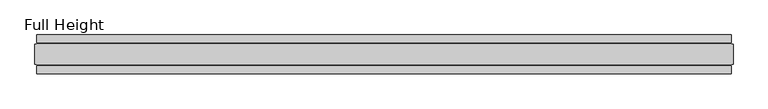
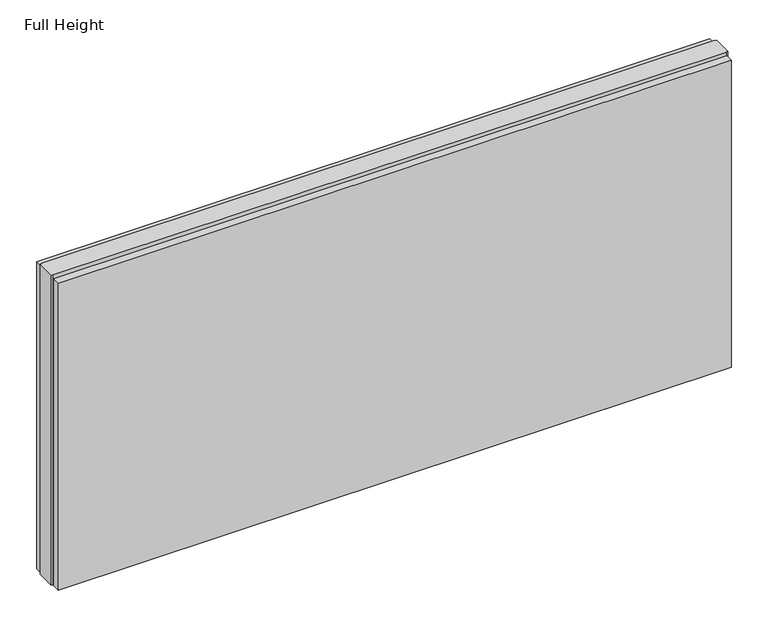
"""IFC4 building model written with IfcOpenShell, lengths in millimetres: plate geometry, Full Height."""

import ifcopenshell
import ifcopenshell.guid

model = None  # the IFC model being written
_history = None  # IfcOwnerHistory: only IFC2X3 demands one
_inside = {}  # id of a spatial element -> (the spatial element, [elements in it])
_under = {}  # id of a project, library or spatial element -> (it, [spatial elements below it])
_declared = {}  # id of a project -> (the project, [libraries it declares])
_typed = {}  # id of a type object -> (the type object, [elements of that type])
_made_of = {}  # id of a material, layer set ... -> (it, [elements and type objects made of it])


def new_model(schema):
    """Start an empty IFC model of exactly this schema.

    Asked for "IFC4X3", IfcOpenShell would pick the latest addendum, in which some entities
    have other attributes; the version numbers below select the first issue.
    IFC2X3 requires an IfcOwnerHistory on every rooted entity: one is made here for all.
    """
    global model, _history
    if schema == "IFC4X3":
        model = ifcopenshell.file(schema_version=(4, 3, 0, 0))
    else:
        model = ifcopenshell.file(schema=schema)
    _inside.clear()
    _under.clear()
    _declared.clear()
    _typed.clear()
    _made_of.clear()
    _history = None
    if model.schema == "IFC2X3":
        org = make("IfcOrganization", Name="unknown")
        user = make(
            "IfcPersonAndOrganization",
            ThePerson=make("IfcPerson", FamilyName="unknown"),
            TheOrganization=org,
        )
        app = make(
            "IfcApplication",
            ApplicationDeveloper=org,
            Version="unknown",
            ApplicationFullName="unknown",
            ApplicationIdentifier="unknown",
        )
        _history = make(
            "IfcOwnerHistory",
            OwningUser=user,
            OwningApplication=app,
            ChangeAction="ADDED",
            CreationDate=0,
        )
    return model


def make(cls, **values):
    """One entity of the class cls with the attributes given. An attribute that is None is left unset."""
    return model.create_entity(
        cls, **{name: value for name, value in values.items() if value is not None}
    )


def rooted(cls, **values):
    """An entity with a GlobalId (a new one), such as an element, a storey or a relation."""
    return make(cls, GlobalId=ifcopenshell.guid.new(), OwnerHistory=_history, **values)


def si_unit(unit_type, name, prefix=None):
    """IfcSIUnit, for example si_unit("LENGTHUNIT", "METRE", prefix="MILLI")."""
    return make("IfcSIUnit", UnitType=unit_type, Prefix=prefix, Name=name)


def assignment(units):
    """IfcUnitAssignment: the units of a project."""
    return None if units is None else make("IfcUnitAssignment", Units=units)


def point(xyz):
    """IfcCartesianPoint."""
    return None if xyz is None else make("IfcCartesianPoint", Coordinates=xyz)


def direction(xyz):
    """IfcDirection."""
    return None if xyz is None else make("IfcDirection", DirectionRatios=xyz)


def frame(location, z_axis=None, x_axis=None):
    """IfcAxis2Placement3D, a coordinate frame: its origin and axes. An axis left out is left unset."""
    return make(
        "IfcAxis2Placement3D",
        Location=point(location),
        Axis=direction(z_axis),
        RefDirection=direction(x_axis),
    )


def origin():
    """The frame at (0, 0, 0) with its axes left unset."""
    return frame((0.0, 0.0, 0.0))


def origin_with_axes():
    """The frame at (0, 0, 0) with the z axis (0, 0, 1) and the x axis (1, 0, 0) written out."""
    return frame((0.0, 0.0, 0.0), z_axis=(0.0, 0.0, 1.0), x_axis=(1.0, 0.0, 0.0))


def place(relative_to, where):
    """IfcLocalPlacement: puts the frame where relative to a parent placement (None: the world)."""
    return make(
        "IfcLocalPlacement", PlacementRelTo=relative_to, RelativePlacement=where
    )


def context(
    kind, dimensions, precision=None, world=None, true_north=None, identifier=None
):
    """IfcGeometricRepresentationContext, for example the 3D "Model" context."""
    return make(
        "IfcGeometricRepresentationContext",
        ContextIdentifier=identifier,
        ContextType=kind,
        CoordinateSpaceDimension=dimensions,
        Precision=precision,
        WorldCoordinateSystem=world,
        TrueNorth=true_north,
    )


def project(units=None, contexts=None):
    """IfcProject with its units and contexts."""
    return rooted(
        "IfcProject",
        Name="project",
        RepresentationContexts=contexts,
        UnitsInContext=assignment(units),
    )


def spatial(cls, under=None, at=None, **own):
    """A site, building, storey or space (cls), placed at a placement, below another one or the project."""
    s = rooted(cls, ObjectPlacement=at, **own)
    if under is not None:
        _under.setdefault(under.id(), (under, []))[1].append(s)
    return s


def polyline(points):
    """IfcPolyline through the points."""
    return make("IfcPolyline", Points=[point(p) for p in points])


def outline(outer, holes=None, kind="AREA"):
    """IfcArbitraryClosedProfileDef: a profile drawn as a closed curve; with holes, ...WithVoids."""
    if holes is None:
        return make("IfcArbitraryClosedProfileDef", ProfileType=kind, OuterCurve=outer)
    return make(
        "IfcArbitraryProfileDefWithVoids",
        ProfileType=kind,
        OuterCurve=outer,
        InnerCurves=holes,
    )


def extrude(swept, where, along, depth):
    """IfcExtrudedAreaSolid: the profile swept, set in the frame where, extruded along a direction by depth."""
    return make(
        "IfcExtrudedAreaSolid",
        SweptArea=swept,
        Position=where,
        ExtrudedDirection=direction(along),
        Depth=depth,
    )


def shape(context_of_items, identifier, shape_type, items):
    """IfcShapeRepresentation: the items that make up one representation, for example the "Body"."""
    return make(
        "IfcShapeRepresentation",
        ContextOfItems=context_of_items,
        RepresentationIdentifier=identifier,
        RepresentationType=shape_type,
        Items=items,
    )


def source(mapping_origin, context_of_items, identifier, shape_type, items):
    """IfcRepresentationMap: a shape defined once, which mapped items show again and again."""
    return make(
        "IfcRepresentationMap",
        MappingOrigin=mapping_origin,
        MappedRepresentation=shape(context_of_items, identifier, shape_type, items),
    )


def transform(
    local_origin,
    x_axis=None,
    y_axis=None,
    z_axis=None,
    scale=None,
    scale2=None,
    scale3=None,
    uniform=True,
):
    """IfcCartesianTransformationOperator3D, or its non-uniform kind. x_axis, y_axis, z_axis: its Axis1, 2, 3."""
    if uniform:
        return make(
            "IfcCartesianTransformationOperator3D",
            Axis1=direction(x_axis),
            Axis2=direction(y_axis),
            LocalOrigin=point(local_origin),
            Scale=scale,
            Axis3=direction(z_axis),
        )
    return make(
        "IfcCartesianTransformationOperator3DnonUniform",
        Axis1=direction(x_axis),
        Axis2=direction(y_axis),
        LocalOrigin=point(local_origin),
        Scale=scale,
        Axis3=direction(z_axis),
        Scale2=scale2,
        Scale3=scale3,
    )


def mapped(mapping_source, mapping_target):
    """IfcMappedItem: shows the shape of a source again, moved by a transform."""
    return make(
        "IfcMappedItem", MappingSource=mapping_source, MappingTarget=mapping_target
    )


def made_of(thing, what):
    """Note that an element or type object is made of a material, layer set ...; save() writes the relation."""
    if what is not None:
        _made_of.setdefault(what.id(), (what, []))[1].append(thing)
    return thing


def element(
    cls,
    number,
    at=None,
    inside=None,
    cuts=None,
    type_object=None,
    material=None,
    context=None,
    identifier="Body",
    shape_type=None,
    held_by="IfcProductDefinitionShape",
    body=None,
    shapes=None,
    **own,
):
    """One element of the class cls, such as IfcWall. Its Tag is "e" and its number.

    at: its placement. inside: the storey or other place that contains it. cuts: it is an
    opening in that element (IfcRelVoidsElement). A single representation is given by context,
    identifier, shape_type and body (its items); several are given by shapes. held_by: the class
    of the entity that holds the representations. save() writes the other relations.
    """
    e = rooted(cls, Tag="e%d" % number, ObjectPlacement=at, **own)
    if body is not None:
        shapes = [shape(context, identifier, shape_type, body)]
    if shapes is not None:
        e.Representation = make(held_by, Representations=shapes)
    if inside is not None:
        _inside.setdefault(inside.id(), (inside, []))[1].append(e)
    if cuts is not None:
        rooted(
            "IfcRelVoidsElement", RelatingBuildingElement=cuts, RelatedOpeningElement=e
        )
    if type_object is not None:
        _typed.setdefault(type_object.id(), (type_object, []))[1].append(e)
    return made_of(e, material)


def aggregate(whole, parts):
    """IfcRelAggregates: a whole, such as a stair, and the parts it consists of."""
    return rooted("IfcRelAggregates", RelatingObject=whole, RelatedObjects=parts)


def save(model, path):
    """Write the relations noted so far, then the file.

    IfcRelAggregates (storeys below a building ...), IfcRelContainedInSpatialStructure (elements
    in a storey), IfcRelDefinesByType, IfcRelAssociatesMaterial and IfcRelDeclares: one each for
    every whole, place, type object, material and project.
    """
    for whole, parts in _under.values():
        aggregate(whole, parts)
    for where, things in _inside.values():
        rooted(
            "IfcRelContainedInSpatialStructure",
            RelatedElements=things,
            RelatingStructure=where,
        )
    for kind, things in _typed.values():
        rooted("IfcRelDefinesByType", RelatedObjects=things, RelatingType=kind)
    for what, things in _made_of.values():
        rooted("IfcRelAssociatesMaterial", RelatedObjects=things, RelatingMaterial=what)
    for by, libraries in _declared.values():
        rooted("IfcRelDeclares", RelatingContext=by, RelatedDefinitions=libraries)
    model.write(path)


def full_height_0736ae7f(model_context):
    return source(origin(), model_context, "Body", "SweptSolid", [
        extrude(outline(polyline([(886.0091214, -28.956), (886.0091214, -49.53), (-886.0091214, -49.53), (-886.0091214, -28.956), (886.0091214, -28.956)])), origin_with_axes(), (0.0, 0.0, 1.0), 854.456),
        extrude(outline(polyline([(886.0091214, 28.956), (-886.0091214, 28.956), (-886.0091214, 49.53), (886.0091214, 49.53), (886.0091214, 28.956)])), origin_with_axes(), (0.0, 0.0, 1.0), 854.456),
        extrude(outline(polyline([(886.0091214, 25.146), (890.5811214, 25.146), (890.5811214, -25.146), (886.0091214, -25.146), (886.0091214, -26.67), (-886.0091214, -26.67), (-886.0091214, -25.146), (-890.5811214, -25.146), (-890.5811214, 25.146), (-886.0091214, 25.146), (-886.0091214, 26.67), (886.0091214, 26.67), (886.0091214, 25.146)])), origin_with_axes(), (0.0, 0.0, 1.0), 863.6),
    ])


if __name__ == "__main__":
    model = new_model("IFC4")
    model_context = context("Model", 3, world=origin())
    ifc_project = project(units=[si_unit("LENGTHUNIT", "METRE", prefix="MILLI")], contexts=[model_context])
    site = spatial("IfcSite", under=ifc_project)
    building = spatial("IfcBuilding", under=site)
    placement = place(None, origin())
    full_height_shape = full_height_0736ae7f(model_context)
    element("IfcPlate", 1, ObjectType="Full Height", at=placement, inside=building, context=model_context, shape_type="MappedRepresentation", body=[
        mapped(full_height_shape, transform((0.0, 0.0, 0.0), x_axis=(1.0, 0.0, 0.0), y_axis=(0.0, 1.0, 0.0), z_axis=(0.0, 0.0, 1.0))),
    ])
    save(model, "model.ifc")
